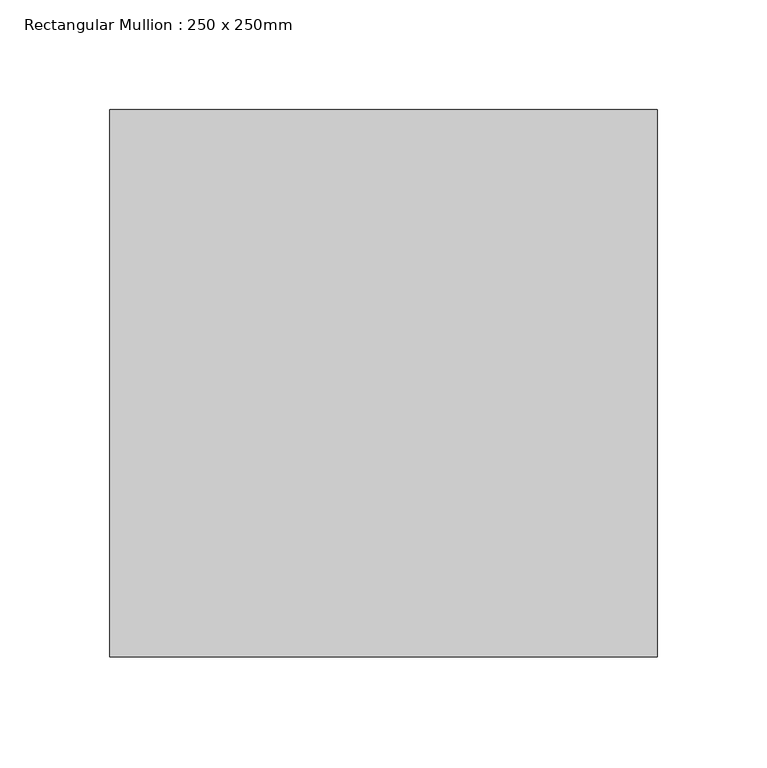
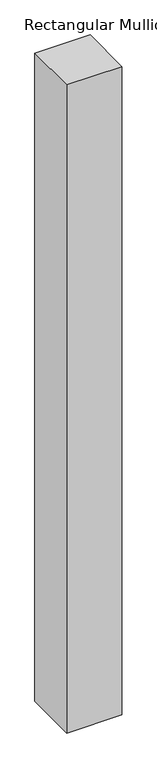
"""IFC4 building model written with IfcOpenShell, lengths in millimetres: member geometry, Rectangular Mullion : 250 x 250mm."""

from ifc_helpers import new_model, si_unit, frame, origin, place, context, project, spatial, polyline, outline, extrude, source, transform, mapped, element, save


def rectangular_mullion_250_x_250mm_6f6c5dee(model_context):
    return source(origin(), model_context, "Body", "SweptSolid", [
        extrude(outline(polyline([(0.0, 125.0), (0.0, -125.0), (-250.0, -125.0), (-250.0, 125.0), (0.0, 125.0)])), frame((0.0, 0.0, -3105.8285412), z_axis=(0.0, 0.0, 1.0), x_axis=(1.0, 0.0, 0.0)), (0.0, 0.0, 1.0), 3105.8285412),
    ])


if __name__ == "__main__":
    model = new_model("IFC4")
    model_context = context("Model", 3, world=origin())
    ifc_project = project(units=[si_unit("LENGTHUNIT", "METRE", prefix="MILLI")], contexts=[model_context])
    site = spatial("IfcSite", under=ifc_project)
    building = spatial("IfcBuilding", under=site)
    placement = place(None, origin())
    rectangular_mullion_250_x_250mm_shape = rectangular_mullion_250_x_250mm_6f6c5dee(model_context)
    element("IfcMember", 1, ObjectType="Rectangular Mullion : 250 x 250mm", at=placement, inside=building, context=model_context, shape_type="MappedRepresentation", body=[
        mapped(rectangular_mullion_250_x_250mm_shape, transform((0.0, 0.0, 0.0), x_axis=(1.0, 0.0, 0.0), y_axis=(0.0, 1.0, 0.0), z_axis=(0.0, 0.0, 1.0))),
    ])
    save(model, "model.ifc")
